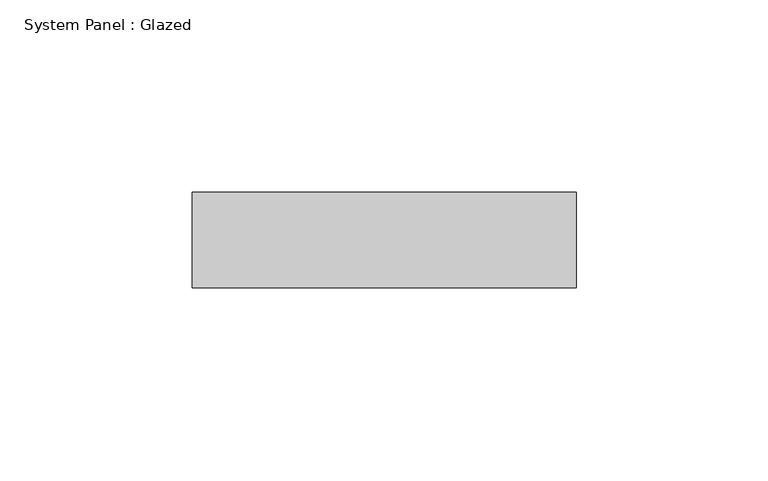
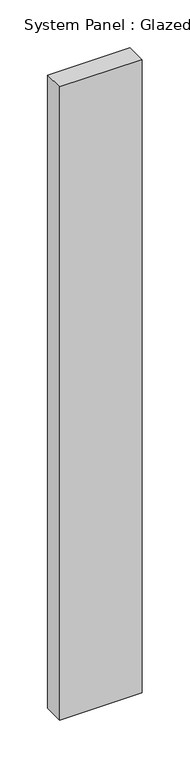
"""IFC4 building model written with IfcOpenShell, lengths in millimetres: plate geometry, System Panel : Glazed."""

from ifc_helpers import new_model, si_unit, origin, origin_with_axes, place, context, project, spatial, polyline, outline, extrude, source, transform, mapped, element, save


def system_panel_glazed_efdd2cb5(model_context):
    return source(origin(), model_context, "Body", "SweptSolid", [
        extrude(outline(polyline([(50.0, -49.5), (-50.0, -49.5), (-50.0, -24.5), (50.0, -24.5), (50.0, -49.5)])), origin_with_axes(), (0.0, 0.0, 1.0), 810.0),
    ])


if __name__ == "__main__":
    model = new_model("IFC4")
    model_context = context("Model", 3, world=origin())
    ifc_project = project(units=[si_unit("LENGTHUNIT", "METRE", prefix="MILLI")], contexts=[model_context])
    site = spatial("IfcSite", under=ifc_project)
    building = spatial("IfcBuilding", under=site)
    placement = place(None, origin())
    system_panel_glazed_shape = system_panel_glazed_efdd2cb5(model_context)
    element("IfcPlate", 1, ObjectType="System Panel : Glazed", at=placement, inside=building, context=model_context, shape_type="MappedRepresentation", body=[
        mapped(system_panel_glazed_shape, transform((0.0, 0.0, 0.0), x_axis=(1.0, 0.0, 0.0), y_axis=(0.0, 1.0, 0.0), z_axis=(0.0, 0.0, 1.0))),
    ])
    save(model, "model.ifc")
